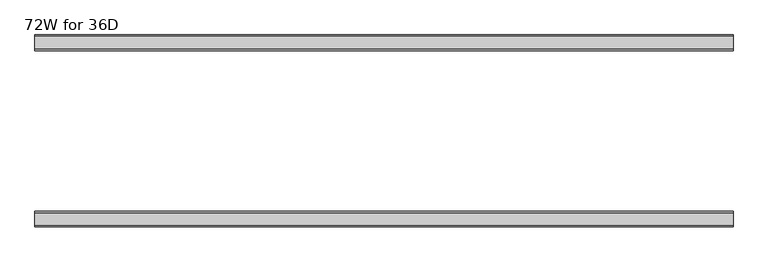
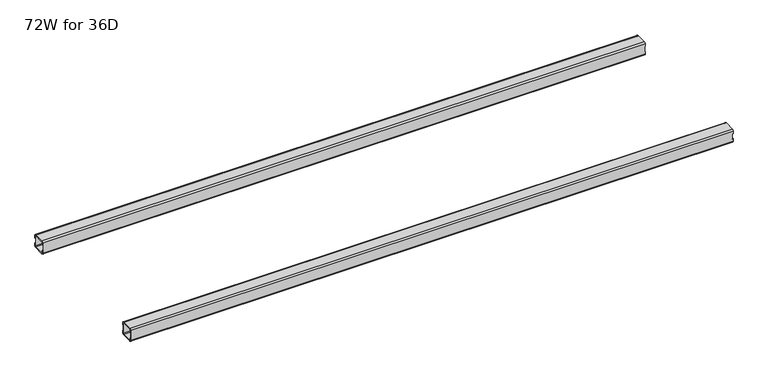
"""IFC4 building model written with IfcOpenShell, lengths in millimetres: furniture geometry, 72W for 36D."""

from ifc_helpers import new_model, si_unit, frame, origin, place, context, project, spatial, polyline, circle_curve, source, transform, mapped, element, save
from ifc_brep_helpers import plane_surface, cylinder_surface, revolved_surface, advanced_brep


def furniture_72w_for_36d_01d43173(model_context):
    return source(origin(), model_context, "Body", "AdvancedBrep", [
        advanced_brep(
        [(1803.8028, -607.088, 653.351), (1803.8028, -609.088, 651.351), (1803.8028, -641.088, 651.351), (1803.8028, -643.088, 653.351), (1803.8028, -643.088, 660.851), (1803.8028, -645.088, 660.851), (1803.8028, -645.088, 653.351), (1803.8028, -641.088, 649.351), (1803.8028, -609.088, 649.351), (1803.8028, -605.088, 653.351), (1803.8028, -605.088, 660.851), (1803.8028, -607.088, 660.851), (1803.8028, -643.088, 684.975), (1803.8028, -641.088, 686.975), (1803.8028, -609.088, 686.975), (1803.8028, -607.088, 684.975), (1803.8028, -607.088, 677.475), (1803.8028, -605.088, 677.475), (1803.8028, -605.088, 684.975), (1803.8028, -609.088, 688.975), (1803.8028, -641.088, 688.975), (1803.8028, -645.088, 684.975), (1803.8028, -645.088, 677.475), (1803.8028, -643.088, 677.475), (22.0, -607.088, 684.975), (22.0, -609.088, 686.975), (22.0, -641.088, 686.975), (22.0, -643.088, 684.975), (22.0, -643.088, 677.475), (22.0, -645.088, 677.475), (22.0, -645.088, 684.975), (22.0, -641.088, 688.975), (22.0, -609.088, 688.975), (22.0, -605.088, 684.975), (22.0, -605.088, 677.475), (22.0, -607.088, 677.475), (22.0, -643.088, 653.351), (22.0, -641.088, 651.351), (22.0, -609.088, 651.351), (22.0, -607.088, 653.351), (22.0, -607.088, 660.851), (22.0, -605.088, 660.851), (22.0, -605.088, 653.351), (22.0, -609.088, 649.351), (22.0, -641.088, 649.351), (22.0, -645.088, 653.351), (22.0, -645.088, 660.851), (22.0, -643.088, 660.851), (23.365, -643.088, 660.851), (24.0, -643.088, 661.486), (24.0, -643.088, 676.84), (23.365, -643.088, 677.475), (1802.4378, -643.088, 677.475), (1801.8028, -643.088, 676.84), (1801.8028, -643.088, 661.486), (1802.4378, -643.088, 660.851), (1802.4378, -607.088, 660.851), (1801.8028, -607.088, 661.486), (1801.8028, -607.088, 676.84), (1802.4378, -607.088, 677.475), (23.365, -607.088, 677.475), (24.0, -607.088, 676.84), (24.0, -607.088, 661.486), (23.365, -607.088, 660.851), (23.365, -645.088, 677.475), (24.0, -645.088, 676.84), (24.0, -645.088, 661.486), (23.365, -645.088, 660.851), (1802.4378, -645.088, 660.851), (1801.8028, -645.088, 661.486), (1801.8028, -645.088, 676.84), (1802.4378, -645.088, 677.475), (1802.4378, -605.088, 677.475), (1801.8028, -605.088, 676.84), (1801.8028, -605.088, 661.486), (1802.4378, -605.088, 660.851), (23.365, -605.088, 660.851), (24.0, -605.088, 661.486), (24.0, -605.088, 676.84), (23.365, -605.088, 677.475)],
        [
            (0, 1, circle_curve(frame((1803.8028, -609.088, 653.351), z_axis=(-1.0, 0.0, 0.0), x_axis=(0.0, 1.0, 0.0)), 2.0)),
            (1, 2),
            (2, 3, circle_curve(frame((1803.8028, -641.088, 653.351), z_axis=(-1.0, 0.0, 0.0), x_axis=(0.0, 1.0, 0.0)), 2.0)),
            (3, 4),
            (4, 5),
            (5, 6),
            (6, 7, circle_curve(frame((1803.8028, -641.088, 653.351), z_axis=(1.0, 0.0, 0.0), x_axis=(0.0, 1.0, 0.0)), 4.0)),
            (7, 8),
            (8, 9, circle_curve(frame((1803.8028, -609.088, 653.351), z_axis=(1.0, 0.0, 0.0), x_axis=(0.0, 1.0, 0.0)), 4.0)),
            (9, 10),
            (10, 11),
            (11, 0),
            (12, 13, circle_curve(frame((1803.8028, -641.088, 684.975), z_axis=(-1.0, 0.0, 0.0), x_axis=(0.0, 1.0, 0.0)), 2.0)),
            (13, 14),
            (14, 15, circle_curve(frame((1803.8028, -609.088, 684.975), z_axis=(-1.0, 0.0, 0.0), x_axis=(0.0, 1.0, 0.0)), 2.0)),
            (15, 16),
            (16, 17),
            (17, 18),
            (18, 19, circle_curve(frame((1803.8028, -609.088, 684.975), z_axis=(1.0, 0.0, 0.0), x_axis=(0.0, 1.0, 0.0)), 4.0)),
            (19, 20),
            (20, 21, circle_curve(frame((1803.8028, -641.088, 684.975), z_axis=(1.0, 0.0, 0.0), x_axis=(0.0, 1.0, 0.0)), 4.0)),
            (21, 22),
            (22, 23),
            (23, 12),
            (24, 25, circle_curve(frame((22.0, -609.088, 684.975), z_axis=(1.0, 0.0, 0.0), x_axis=(0.0, 1.0, 0.0)), 2.0)),
            (25, 26),
            (26, 27, circle_curve(frame((22.0, -641.088, 684.975), z_axis=(1.0, 0.0, 0.0), x_axis=(0.0, 1.0, 0.0)), 2.0)),
            (27, 28),
            (28, 29),
            (29, 30),
            (30, 31, circle_curve(frame((22.0, -641.088, 684.975), z_axis=(-1.0, 0.0, 0.0), x_axis=(0.0, 1.0, 0.0)), 4.0)),
            (31, 32),
            (32, 33, circle_curve(frame((22.0, -609.088, 684.975), z_axis=(-1.0, 0.0, 0.0), x_axis=(0.0, 1.0, 0.0)), 4.0)),
            (33, 34),
            (34, 35),
            (35, 24),
            (36, 37, circle_curve(frame((22.0, -641.088, 653.351), z_axis=(1.0, 0.0, 0.0), x_axis=(0.0, 1.0, 0.0)), 2.0)),
            (37, 38),
            (38, 39, circle_curve(frame((22.0, -609.088, 653.351), z_axis=(1.0, 0.0, 0.0), x_axis=(0.0, 1.0, 0.0)), 2.0)),
            (39, 40),
            (40, 41),
            (41, 42),
            (42, 43, circle_curve(frame((22.0, -609.088, 653.351), z_axis=(-1.0, 0.0, 0.0), x_axis=(0.0, 1.0, 0.0)), 4.0)),
            (43, 44),
            (44, 45, circle_curve(frame((22.0, -641.088, 653.351), z_axis=(-1.0, 0.0, 0.0), x_axis=(0.0, 1.0, 0.0)), 4.0)),
            (45, 46),
            (46, 47),
            (47, 36),
            (0, 39),
            (38, 1),
            (37, 2),
            (36, 3),
            (47, 48),
            (48, 49, circle_curve(frame((23.365, -643.088, 661.486), z_axis=(0.0, -1.0, 0.0), x_axis=(1.0, 0.0, 0.0)), 0.635)),
            (49, 50),
            (50, 51, circle_curve(frame((23.365, -643.088, 676.84), z_axis=(0.0, -1.0, 0.0), x_axis=(1.0, 0.0, 0.0)), 0.635)),
            (51, 28),
            (27, 12),
            (23, 52),
            (52, 53, circle_curve(frame((1802.4378, -643.088, 676.84), z_axis=(0.0, -1.0, 0.0), x_axis=(1.0, 0.0, 0.0)), 0.635)),
            (53, 54),
            (54, 55, circle_curve(frame((1802.4378, -643.088, 661.486), z_axis=(0.0, -1.0, 0.0), x_axis=(1.0, 0.0, 0.0)), 0.635)),
            (55, 4),
            (26, 13),
            (25, 14),
            (24, 15),
            (11, 56),
            (56, 57, circle_curve(frame((1802.4378, -607.088, 661.486), z_axis=(0.0, 1.0, 0.0), x_axis=(1.0, 0.0, 0.0)), 0.635)),
            (57, 58),
            (58, 59, circle_curve(frame((1802.4378, -607.088, 676.84), z_axis=(0.0, 1.0, 0.0), x_axis=(1.0, 0.0, 0.0)), 0.635)),
            (59, 16),
            (35, 60),
            (60, 61, circle_curve(frame((23.365, -607.088, 676.84), z_axis=(0.0, 1.0, 0.0), x_axis=(1.0, 0.0, 0.0)), 0.635)),
            (61, 62),
            (62, 63, circle_curve(frame((23.365, -607.088, 661.486), z_axis=(0.0, 1.0, 0.0), x_axis=(1.0, 0.0, 0.0)), 0.635)),
            (63, 40),
            (18, 33),
            (32, 19),
            (31, 20),
            (30, 21),
            (29, 64),
            (64, 65, circle_curve(frame((23.365, -645.088, 676.84), z_axis=(0.0, 1.0, 0.0), x_axis=(1.0, 0.0, 0.0)), 0.635)),
            (65, 66),
            (66, 67, circle_curve(frame((23.365, -645.088, 661.486), z_axis=(0.0, 1.0, 0.0), x_axis=(1.0, 0.0, 0.0)), 0.635)),
            (67, 46),
            (45, 6),
            (5, 68),
            (68, 69, circle_curve(frame((1802.4378, -645.088, 661.486), z_axis=(0.0, 1.0, 0.0), x_axis=(1.0, 0.0, 0.0)), 0.635)),
            (69, 70),
            (70, 71, circle_curve(frame((1802.4378, -645.088, 676.84), z_axis=(0.0, 1.0, 0.0), x_axis=(1.0, 0.0, 0.0)), 0.635)),
            (71, 22),
            (44, 7),
            (43, 8),
            (42, 9),
            (17, 72),
            (72, 73, circle_curve(frame((1802.4378, -605.088, 676.84), z_axis=(0.0, -1.0, 0.0), x_axis=(1.0, 0.0, 0.0)), 0.635)),
            (73, 74),
            (74, 75, circle_curve(frame((1802.4378, -605.088, 661.486), z_axis=(0.0, -1.0, 0.0), x_axis=(1.0, 0.0, 0.0)), 0.635)),
            (75, 10),
            (41, 76),
            (76, 77, circle_curve(frame((23.365, -605.088, 661.486), z_axis=(0.0, -1.0, 0.0), x_axis=(1.0, 0.0, 0.0)), 0.635)),
            (77, 78),
            (78, 79, circle_curve(frame((23.365, -605.088, 676.84), z_axis=(0.0, -1.0, 0.0), x_axis=(1.0, 0.0, 0.0)), 0.635)),
            (79, 34),
            (71, 52),
            (59, 72),
            (70, 53),
            (58, 73),
            (69, 54),
            (57, 74),
            (68, 55),
            (56, 75),
            (51, 64),
            (79, 60),
            (67, 48),
            (63, 76),
            (66, 49),
            (62, 77),
            (65, 50),
            (61, 78),
        ],
        [
            plane_surface(frame((1803.8028, -607.088, 653.351), z_axis=(1.0, 0.0, 0.0), x_axis=(0.0, 0.0, -1.0))),
            plane_surface(frame((22.0, -607.088, 653.351), z_axis=(-1.0, 0.0, 0.0), x_axis=(0.0, 0.0, 1.0))),
            revolved_surface(polyline([(22.0, -607.088, 653.351), (1803.8028, -607.088, 653.351)]), (22.0, -609.088, 653.351), (-1.0, 0.0, 0.0)),
            plane_surface(frame((1803.8028, -609.088, 651.351), z_axis=(0.0, -5.198608210600595e-12, 1.0), x_axis=(-1.0, 0.0, 0.0))),
            revolved_surface(polyline([(22.0, -639.088, 653.351), (1803.8028, -639.088, 653.351)]), (22.0, -641.088, 653.351), (-1.0, 0.0, 0.0)),
            plane_surface(frame((1803.8028, -643.088, 653.351), z_axis=(0.0, 1.0, 0.0), x_axis=(-1.0, 0.0, 0.0))),
            revolved_surface(polyline([(22.0, -639.088, 684.975), (1803.8028, -639.088, 684.975)]), (22.0, -641.088, 684.975), (-1.0, 0.0, 0.0)),
            plane_surface(frame((1803.8028, -641.088, 686.975), z_axis=(0.0, 0.0, -1.0), x_axis=(-1.0, 0.0, 0.0))),
            revolved_surface(polyline([(22.0, -607.088, 684.975), (1803.8028, -607.088, 684.975)]), (22.0, -609.088, 684.975), (-1.0, 0.0, 0.0)),
            plane_surface(frame((1803.8028, -607.088, 684.975), z_axis=(0.0, -1.0, 0.0), x_axis=(-1.0, 0.0, 0.0))),
            cylinder_surface(frame((0.0, -609.088, 684.975), z_axis=(1.0, 0.0, 0.0), x_axis=(0.0, 1.0, 0.0)), 4.0),
            plane_surface(frame((1803.8028, -609.088, 688.975), z_axis=(0.0, 0.0, 1.0), x_axis=(-1.0, 0.0, 0.0))),
            cylinder_surface(frame((0.0, -641.088, 684.975), z_axis=(1.0, 0.0, 0.0), x_axis=(0.0, 1.0, 0.0)), 4.0),
            plane_surface(frame((1803.8028, -645.088, 684.975), z_axis=(0.0, -1.0, 0.0), x_axis=(-1.0, 0.0, 0.0))),
            cylinder_surface(frame((0.0, -641.088, 653.351), z_axis=(1.0, 0.0, 0.0), x_axis=(0.0, 1.0, 0.0)), 4.0),
            plane_surface(frame((1803.8028, -641.088, 649.351), z_axis=(0.0, 0.0, -1.0), x_axis=(-1.0, 0.0, 0.0))),
            cylinder_surface(frame((0.0, -609.088, 653.351), z_axis=(1.0, 0.0, 0.0), x_axis=(0.0, 1.0, 0.0)), 4.0),
            plane_surface(frame((1803.8028, -605.088, 653.351), z_axis=(0.0, 1.0, -5.2518576384018155e-12), x_axis=(-1.0, 0.0, 0.0))),
            plane_surface(frame((1803.8028, -645.088, 677.475), z_axis=(1.130465684452016e-11, 0.0, -1.0), x_axis=(0.0, 1.0, 0.0))),
            revolved_surface(polyline([(1803.0728, -645.088, 676.84), (1803.0728, -643.088, 676.84)]), (1802.4378, -605.088, 676.84), (0.0, -1.0, 0.0)),
            revolved_surface(polyline([(1803.0728, -607.088, 676.84), (1803.0728, -605.088, 676.84)]), (1802.4378, -605.088, 676.84), (0.0, -1.0, 0.0)),
            plane_surface(frame((1801.8028, -645.088, 676.84), z_axis=(1.0, 0.0, 0.0), x_axis=(0.0, 1.0, 0.0))),
            revolved_surface(polyline([(1803.0728, -645.088, 661.486), (1803.0728, -643.088, 661.486)]), (1802.4378, -605.088, 661.486), (0.0, -1.0, 0.0)),
            revolved_surface(polyline([(1803.0728, -607.088, 661.486), (1803.0728, -605.088, 661.486)]), (1802.4378, -605.088, 661.486), (0.0, -1.0, 0.0)),
            plane_surface(frame((1802.4378, -645.088, 660.851), z_axis=(0.0, 0.0, 1.0), x_axis=(0.0, 1.0, 0.0))),
            plane_surface(frame((23.365, -645.088, 677.475), z_axis=(0.0, 0.0, -1.0), x_axis=(0.0, 1.0, 0.0))),
            plane_surface(frame((22.0, -645.088, 660.851), z_axis=(-1.1502984157403295e-11, 0.0, 1.0), x_axis=(0.0, 1.0, 0.0))),
            revolved_surface(polyline([(24.0, -645.088, 661.486), (24.0, -643.088, 661.486)]), (23.365, -605.088, 661.486), (0.0, -1.0, 0.0)),
            revolved_surface(polyline([(24.0, -607.088, 661.486), (24.0, -605.088, 661.486)]), (23.365, -605.088, 661.486), (0.0, -1.0, 0.0)),
            plane_surface(frame((24.0, -645.088, 661.486), z_axis=(-1.0, 0.0, 0.0), x_axis=(0.0, 1.0, 0.0))),
            revolved_surface(polyline([(24.0, -645.088, 676.84), (24.0, -643.088, 676.84)]), (23.365, -605.088, 676.84), (0.0, -1.0, 0.0)),
            revolved_surface(polyline([(24.0, -607.088, 676.84), (24.0, -605.088, 676.84)]), (23.365, -605.088, 676.84), (0.0, -1.0, 0.0)),
        ],
        [
            (0, [[1, 2, 3, 4, 5, 6, 7, 8, 9, 10, 11, 12]]),
            (0, [[13, 14, 15, 16, 17, 18, 19, 20, 21, 22, 23, 24]]),
            (1, [[25, 26, 27, 28, 29, 30, 31, 32, 33, 34, 35, 36]]),
            (1, [[37, 38, 39, 40, 41, 42, 43, 44, 45, 46, 47, 48]]),
            (2, [[-1, 49, -39, 50]]),
            (3, [[-2, -50, -38, 51]]),
            (4, [[-3, -51, -37, 52]]),
            (5, [[-52, -48, 53, 54, 55, 56, 57, -28, 58, -24, 59, 60, 61, 62, 63, -4]]),
            (6, [[-13, -58, -27, 64]]),
            (7, [[-14, -64, -26, 65]]),
            (8, [[-15, -65, -25, 66]]),
            (9, [[-49, -12, 67, 68, 69, 70, 71, -16, -66, -36, 72, 73, 74, 75, 76, -40]]),
            (10, [[-19, 77, -33, 78]]),
            (11, [[-20, -78, -32, 79]]),
            (12, [[-21, -79, -31, 80]]),
            (13, [[-80, -30, 81, 82, 83, 84, 85, -46, 86, -6, 87, 88, 89, 90, 91, -22]]),
            (14, [[-7, -86, -45, 92]]),
            (15, [[-8, -92, -44, 93]]),
            (16, [[-9, -93, -43, 94]]),
            (17, [[-77, -18, 95, 96, 97, 98, 99, -10, -94, -42, 100, 101, 102, 103, 104, -34]]),
            (18, [[105, -59, -23, -91]]),
            (18, [[106, -95, -17, -71]]),
            (19, [[-105, -90, 107, -60]]),
            (20, [[-106, -70, 108, -96]]),
            (21, [[-107, -89, 109, -61]]),
            (21, [[-108, -69, 110, -97]]),
            (22, [[-109, -88, 111, -62]]),
            (23, [[-110, -68, 112, -98]]),
            (24, [[-111, -87, -5, -63]]),
            (24, [[-112, -67, -11, -99]]),
            (25, [[113, -81, -29, -57]]),
            (25, [[114, -72, -35, -104]]),
            (26, [[115, -53, -47, -85]]),
            (26, [[116, -100, -41, -76]]),
            (27, [[-115, -84, 117, -54]]),
            (28, [[-116, -75, 118, -101]]),
            (29, [[-117, -83, 119, -55]]),
            (29, [[-118, -74, 120, -102]]),
            (30, [[-113, -56, -119, -82]]),
            (31, [[-114, -103, -120, -73]]),
        ],
    ),
        advanced_brep(
        [(1803.8028, -192.9996202, 684.975), (1803.8028, -190.9996202, 686.975), (1803.8028, -159.0003798, 686.975), (1803.8028, -157.0003798, 684.975), (1803.8028, -157.0003798, 677.475), (1803.8028, -155.0003798, 677.475), (1803.8028, -155.0003798, 684.975), (1803.8028, -159.0003798, 688.975), (1803.8028, -190.9996202, 688.975), (1803.8028, -194.9996202, 684.975), (1803.8028, -194.9996202, 677.475), (1803.8028, -192.9996202, 677.475), (1803.8028, -157.0003798, 653.351), (1803.8028, -159.0003798, 651.351), (1803.8028, -190.9996202, 651.351), (1803.8028, -192.9996202, 653.351), (1803.8028, -192.9996202, 660.851), (1803.8028, -194.9996202, 660.851), (1803.8028, -194.9996202, 653.351), (1803.8028, -190.9996202, 649.351), (1803.8028, -159.0003798, 649.351), (1803.8028, -155.0003798, 653.351), (1803.8028, -155.0003798, 660.851), (1803.8028, -157.0003798, 660.851), (22.0, -192.9996202, 653.351), (22.0, -190.9996202, 651.351), (22.0, -159.0003798, 651.351), (22.0, -157.0003798, 653.351), (22.0, -157.0003798, 660.851), (22.0, -155.0003798, 660.851), (22.0, -155.0003798, 653.351), (22.0, -159.0003798, 649.351), (22.0, -190.9996202, 649.351), (22.0, -194.9996202, 653.351), (22.0, -194.9996202, 660.851), (22.0, -192.9996202, 660.851), (22.0, -157.0003798, 684.975), (22.0, -159.0003798, 686.975), (22.0, -190.9996202, 686.975), (22.0, -192.9996202, 684.975), (22.0, -192.9996202, 677.475), (22.0, -194.9996202, 677.475), (22.0, -194.9996202, 684.975), (22.0, -190.9996202, 688.975), (22.0, -159.0003798, 688.975), (22.0, -155.0003798, 684.975), (22.0, -155.0003798, 677.475), (22.0, -157.0003798, 677.475), (1802.4378, -157.0003798, 660.851), (1801.8028, -157.0003798, 661.486), (1801.8028, -157.0003798, 676.84), (1802.4378, -157.0003798, 677.475), (23.365, -157.0003798, 677.475), (24.0, -157.0003798, 676.84), (24.0, -157.0003798, 661.486), (23.365, -157.0003798, 660.851), (23.365, -192.9996202, 660.851), (24.0, -192.9996202, 661.486), (24.0, -192.9996202, 676.84), (23.365, -192.9996202, 677.475), (1802.4378, -192.9996202, 677.475), (1801.8028, -192.9996202, 676.84), (1801.8028, -192.9996202, 661.486), (1802.4378, -192.9996202, 660.851), (1802.4378, -155.0003798, 677.475), (1801.8028, -155.0003798, 676.84), (1801.8028, -155.0003798, 661.486), (1802.4378, -155.0003798, 660.851), (23.365, -155.0003798, 660.851), (24.0, -155.0003798, 661.486), (24.0, -155.0003798, 676.84), (23.365, -155.0003798, 677.475), (23.365, -194.9996202, 677.475), (24.0, -194.9996202, 676.84), (24.0, -194.9996202, 661.486), (23.365, -194.9996202, 660.851), (1802.4378, -194.9996202, 660.851), (1801.8028, -194.9996202, 661.486), (1801.8028, -194.9996202, 676.84), (1802.4378, -194.9996202, 677.475)],
        [
            (0, 1, circle_curve(frame((1803.8028, -190.9996202, 684.975), z_axis=(-1.0, 0.0, 0.0), x_axis=(0.0, -1.0, 0.0)), 2.0)),
            (1, 2),
            (2, 3, circle_curve(frame((1803.8028, -159.0003798, 684.975), z_axis=(-1.0, 0.0, 0.0), x_axis=(0.0, -1.0, 0.0)), 2.0)),
            (3, 4),
            (4, 5),
            (5, 6),
            (6, 7, circle_curve(frame((1803.8028, -159.0003798, 684.975), z_axis=(1.0, 0.0, 0.0), x_axis=(0.0, -1.0, 0.0)), 4.0)),
            (7, 8),
            (8, 9, circle_curve(frame((1803.8028, -190.9996202, 684.975), z_axis=(1.0, 0.0, 0.0), x_axis=(0.0, -1.0, 0.0)), 4.0)),
            (9, 10),
            (10, 11),
            (11, 0),
            (12, 13, circle_curve(frame((1803.8028, -159.0003798, 653.351), z_axis=(-1.0, 0.0, 0.0), x_axis=(0.0, -1.0, 0.0)), 2.0)),
            (13, 14),
            (14, 15, circle_curve(frame((1803.8028, -190.9996202, 653.351), z_axis=(-1.0, 0.0, 0.0), x_axis=(0.0, -1.0, 0.0)), 2.0)),
            (15, 16),
            (16, 17),
            (17, 18),
            (18, 19, circle_curve(frame((1803.8028, -190.9996202, 653.351), z_axis=(1.0, 0.0, 0.0), x_axis=(0.0, -1.0, 0.0)), 4.0)),
            (19, 20),
            (20, 21, circle_curve(frame((1803.8028, -159.0003798, 653.351), z_axis=(1.0, 0.0, 0.0), x_axis=(0.0, -1.0, 0.0)), 4.0)),
            (21, 22),
            (22, 23),
            (23, 12),
            (24, 25, circle_curve(frame((22.0, -190.9996202, 653.351), z_axis=(1.0, 0.0, 0.0), x_axis=(0.0, -1.0, 0.0)), 2.0)),
            (25, 26),
            (26, 27, circle_curve(frame((22.0, -159.0003798, 653.351), z_axis=(1.0, 0.0, 0.0), x_axis=(0.0, -1.0, 0.0)), 2.0)),
            (27, 28),
            (28, 29),
            (29, 30),
            (30, 31, circle_curve(frame((22.0, -159.0003798, 653.351), z_axis=(-1.0, 0.0, 0.0), x_axis=(0.0, -1.0, 0.0)), 4.0)),
            (31, 32),
            (32, 33, circle_curve(frame((22.0, -190.9996202, 653.351), z_axis=(-1.0, 0.0, 0.0), x_axis=(0.0, -1.0, 0.0)), 4.0)),
            (33, 34),
            (34, 35),
            (35, 24),
            (36, 37, circle_curve(frame((22.0, -159.0003798, 684.975), z_axis=(1.0, 0.0, 0.0), x_axis=(0.0, -1.0, 0.0)), 2.0)),
            (37, 38),
            (38, 39, circle_curve(frame((22.0, -190.9996202, 684.975), z_axis=(1.0, 0.0, 0.0), x_axis=(0.0, -1.0, 0.0)), 2.0)),
            (39, 40),
            (40, 41),
            (41, 42),
            (42, 43, circle_curve(frame((22.0, -190.9996202, 684.975), z_axis=(-1.0, 0.0, 0.0), x_axis=(0.0, -1.0, 0.0)), 4.0)),
            (43, 44),
            (44, 45, circle_curve(frame((22.0, -159.0003798, 684.975), z_axis=(-1.0, 0.0, 0.0), x_axis=(0.0, -1.0, 0.0)), 4.0)),
            (45, 46),
            (46, 47),
            (47, 36),
            (14, 25),
            (24, 15),
            (13, 26),
            (12, 27),
            (23, 48),
            (48, 49, circle_curve(frame((1802.4378, -157.0003798, 661.486), z_axis=(0.0, 1.0, 0.0), x_axis=(1.0, 0.0, 0.0)), 0.635)),
            (49, 50),
            (50, 51, circle_curve(frame((1802.4378, -157.0003798, 676.84), z_axis=(0.0, 1.0, 0.0), x_axis=(1.0, 0.0, 0.0)), 0.635)),
            (51, 4),
            (3, 36),
            (47, 52),
            (52, 53, circle_curve(frame((23.365, -157.0003798, 676.84), z_axis=(0.0, 1.0, 0.0), x_axis=(1.0, 0.0, 0.0)), 0.635)),
            (53, 54),
            (54, 55, circle_curve(frame((23.365, -157.0003798, 661.486), z_axis=(0.0, 1.0, 0.0), x_axis=(1.0, 0.0, 0.0)), 0.635)),
            (55, 28),
            (2, 37),
            (1, 38),
            (0, 39),
            (35, 56),
            (56, 57, circle_curve(frame((23.365, -192.9996202, 661.486), z_axis=(0.0, -1.0, 0.0), x_axis=(1.0, 0.0, 0.0)), 0.635)),
            (57, 58),
            (58, 59, circle_curve(frame((23.365, -192.9996202, 676.84), z_axis=(0.0, -1.0, 0.0), x_axis=(1.0, 0.0, 0.0)), 0.635)),
            (59, 40),
            (11, 60),
            (60, 61, circle_curve(frame((1802.4378, -192.9996202, 676.84), z_axis=(0.0, -1.0, 0.0), x_axis=(1.0, 0.0, 0.0)), 0.635)),
            (61, 62),
            (62, 63, circle_curve(frame((1802.4378, -192.9996202, 661.486), z_axis=(0.0, -1.0, 0.0), x_axis=(1.0, 0.0, 0.0)), 0.635)),
            (63, 16),
            (8, 43),
            (42, 9),
            (7, 44),
            (6, 45),
            (5, 64),
            (64, 65, circle_curve(frame((1802.4378, -155.0003798, 676.84), z_axis=(0.0, -1.0, 0.0), x_axis=(1.0, 0.0, 0.0)), 0.635)),
            (65, 66),
            (66, 67, circle_curve(frame((1802.4378, -155.0003798, 661.486), z_axis=(0.0, -1.0, 0.0), x_axis=(1.0, 0.0, 0.0)), 0.635)),
            (67, 22),
            (21, 30),
            (29, 68),
            (68, 69, circle_curve(frame((23.365, -155.0003798, 661.486), z_axis=(0.0, -1.0, 0.0), x_axis=(1.0, 0.0, 0.0)), 0.635)),
            (69, 70),
            (70, 71, circle_curve(frame((23.365, -155.0003798, 676.84), z_axis=(0.0, -1.0, 0.0), x_axis=(1.0, 0.0, 0.0)), 0.635)),
            (71, 46),
            (20, 31),
            (19, 32),
            (18, 33),
            (41, 72),
            (72, 73, circle_curve(frame((23.365, -194.9996202, 676.84), z_axis=(0.0, 1.0, 0.0), x_axis=(1.0, 0.0, 0.0)), 0.635)),
            (73, 74),
            (74, 75, circle_curve(frame((23.365, -194.9996202, 661.486), z_axis=(0.0, 1.0, 0.0), x_axis=(1.0, 0.0, 0.0)), 0.635)),
            (75, 34),
            (17, 76),
            (76, 77, circle_curve(frame((1802.4378, -194.9996202, 661.486), z_axis=(0.0, 1.0, 0.0), x_axis=(1.0, 0.0, 0.0)), 0.635)),
            (77, 78),
            (78, 79, circle_curve(frame((1802.4378, -194.9996202, 676.84), z_axis=(0.0, 1.0, 0.0), x_axis=(1.0, 0.0, 0.0)), 0.635)),
            (79, 10),
            (51, 64),
            (79, 60),
            (50, 65),
            (78, 61),
            (49, 66),
            (77, 62),
            (48, 67),
            (76, 63),
            (71, 52),
            (59, 72),
            (55, 68),
            (75, 56),
            (54, 69),
            (74, 57),
            (53, 70),
            (73, 58),
        ],
        [
            plane_surface(frame((1803.8028, -192.9996202, 684.975), z_axis=(1.0, 0.0, 0.0), x_axis=(0.0, 0.0, 1.0))),
            plane_surface(frame((22.0, -192.9996202, 684.975), z_axis=(-1.0, 0.0, 0.0), x_axis=(0.0, 0.0, -1.0))),
            revolved_surface(polyline([(22.0, -192.9996202, 653.351), (1803.8028, -192.9996202, 653.351)]), (22.0, -190.9996202, 653.351), (-1.0, 0.0, 0.0)),
            plane_surface(frame((1803.8028, -159.0003798, 651.351), z_axis=(0.0, 0.0, 1.0), x_axis=(-1.0, 0.0, 0.0))),
            revolved_surface(polyline([(22.0, -161.0003798, 653.351), (1803.8028, -161.0003798, 653.351)]), (22.0, -159.0003798, 653.351), (-1.0, 0.0, 0.0)),
            plane_surface(frame((1803.8028, -157.0003798, 684.975), z_axis=(0.0, -1.0, 0.0), x_axis=(-1.0, 0.0, 0.0))),
            revolved_surface(polyline([(22.0, -161.0003798, 684.975), (1803.8028, -161.0003798, 684.975)]), (22.0, -159.0003798, 684.975), (-1.0, 0.0, 0.0)),
            plane_surface(frame((1803.8028, -190.9996202, 686.975), z_axis=(0.0, 0.0, -1.0), x_axis=(-1.0, 0.0, 0.0))),
            revolved_surface(polyline([(22.0, -192.9996202, 684.975), (1803.8028, -192.9996202, 684.975)]), (22.0, -190.9996202, 684.975), (-1.0, 0.0, 0.0)),
            plane_surface(frame((1803.8028, -192.9996202, 653.351), z_axis=(0.0, 1.0, 0.0), x_axis=(-1.0, 0.0, 0.0))),
            cylinder_surface(frame((0.0, -190.9996202, 684.975), z_axis=(1.0, 0.0, 0.0), x_axis=(0.0, -1.0, 0.0)), 4.0),
            plane_surface(frame((1803.8028, -159.0003798, 688.975), z_axis=(0.0, 0.0, 1.0), x_axis=(-1.0, 0.0, 0.0))),
            cylinder_surface(frame((0.0, -159.0003798, 684.975), z_axis=(1.0, 0.0, 0.0), x_axis=(0.0, -1.0, 0.0)), 4.0),
            plane_surface(frame((1803.8028, -155.0003798, 653.351), z_axis=(0.0, 1.0, 0.0), x_axis=(-1.0, 0.0, 0.0))),
            cylinder_surface(frame((0.0, -159.0003798, 653.351), z_axis=(1.0, 0.0, 0.0), x_axis=(0.0, -1.0, 0.0)), 4.0),
            plane_surface(frame((1803.8028, -190.9996202, 649.351), z_axis=(0.0, 0.0, -1.0), x_axis=(-1.0, 0.0, 0.0))),
            cylinder_surface(frame((0.0, -190.9996202, 653.351), z_axis=(1.0, 0.0, 0.0), x_axis=(0.0, -1.0, 0.0)), 4.0),
            plane_surface(frame((1803.8028, -194.9996202, 684.975), z_axis=(0.0, -1.0, 0.0), x_axis=(-1.0, 0.0, 0.0))),
            plane_surface(frame((1802.4378, -155.0003798, 677.475), z_axis=(-8.46857626692581e-11, 0.0, -1.0), x_axis=(0.0, -1.0, 0.0))),
            revolved_surface(polyline([(1803.0728, -155.0003798, 676.84), (1803.0728, -157.0003798, 676.84)]), (1802.4378, -194.9996202, 676.84), (0.0, 1.0, 0.0)),
            revolved_surface(polyline([(1803.0728, -192.9996202, 676.84), (1803.0728, -194.9996202, 676.84)]), (1802.4378, -194.9996202, 676.84), (0.0, 1.0, 0.0)),
            plane_surface(frame((1801.8028, -155.0003798, 661.486), z_axis=(1.0, 0.0, 6.082928872064027e-12), x_axis=(0.0, -1.0, 0.0))),
            revolved_surface(polyline([(1803.0728, -155.0003798, 661.486), (1803.0728, -157.0003798, 661.486)]), (1802.4378, -194.9996202, 661.486), (0.0, 1.0, 0.0)),
            revolved_surface(polyline([(1803.0728, -192.9996202, 661.486), (1803.0728, -194.9996202, 661.486)]), (1802.4378, -194.9996202, 661.486), (0.0, 1.0, 0.0)),
            plane_surface(frame((1803.8028, -155.0003798, 660.851), z_axis=(0.0, 0.0, 1.0), x_axis=(0.0, -1.0, 0.0))),
            plane_surface(frame((22.0, -155.0003798, 677.475), z_axis=(0.0, 0.0, -1.0), x_axis=(0.0, -1.0, 0.0))),
            plane_surface(frame((23.365, -155.0003798, 660.851), z_axis=(-2.8559133082148777e-11, 0.0, 1.0), x_axis=(0.0, -1.0, 0.0))),
            revolved_surface(polyline([(24.0, -155.0003798, 661.486), (24.0, -157.0003798, 661.486)]), (23.365, -194.9996202, 661.486), (0.0, 1.0, 0.0)),
            revolved_surface(polyline([(24.0, -192.9996202, 661.486), (24.0, -194.9996202, 661.486)]), (23.365, -194.9996202, 661.486), (0.0, 1.0, 0.0)),
            plane_surface(frame((24.0, -155.0003798, 676.84), z_axis=(-1.0, 0.0, 3.414484621396347e-12), x_axis=(0.0, -1.0, 0.0))),
            revolved_surface(polyline([(24.0, -155.0003798, 676.84), (24.0, -157.0003798, 676.84)]), (23.365, -194.9996202, 676.84), (0.0, 1.0, 0.0)),
            revolved_surface(polyline([(24.0, -192.9996202, 676.84), (24.0, -194.9996202, 676.84)]), (23.365, -194.9996202, 676.84), (0.0, 1.0, 0.0)),
        ],
        [
            (0, [[1, 2, 3, 4, 5, 6, 7, 8, 9, 10, 11, 12]]),
            (0, [[13, 14, 15, 16, 17, 18, 19, 20, 21, 22, 23, 24]]),
            (1, [[25, 26, 27, 28, 29, 30, 31, 32, 33, 34, 35, 36]]),
            (1, [[37, 38, 39, 40, 41, 42, 43, 44, 45, 46, 47, 48]]),
            (2, [[-15, 49, -25, 50]]),
            (3, [[-14, 51, -26, -49]]),
            (4, [[-13, 52, -27, -51]]),
            (5, [[-52, -24, 53, 54, 55, 56, 57, -4, 58, -48, 59, 60, 61, 62, 63, -28]]),
            (6, [[-3, 64, -37, -58]]),
            (7, [[-2, 65, -38, -64]]),
            (8, [[-1, 66, -39, -65]]),
            (9, [[-50, -36, 67, 68, 69, 70, 71, -40, -66, -12, 72, 73, 74, 75, 76, -16]]),
            (10, [[-9, 77, -43, 78]]),
            (11, [[-8, 79, -44, -77]]),
            (12, [[-7, 80, -45, -79]]),
            (13, [[-80, -6, 81, 82, 83, 84, 85, -22, 86, -30, 87, 88, 89, 90, 91, -46]]),
            (14, [[-21, 92, -31, -86]]),
            (15, [[-20, 93, -32, -92]]),
            (16, [[-19, 94, -33, -93]]),
            (17, [[-78, -42, 95, 96, 97, 98, 99, -34, -94, -18, 100, 101, 102, 103, 104, -10]]),
            (18, [[105, -81, -5, -57]]),
            (18, [[106, -72, -11, -104]]),
            (19, [[-105, -56, 107, -82]]),
            (20, [[-106, -103, 108, -73]]),
            (21, [[-107, -55, 109, -83]]),
            (21, [[-108, -102, 110, -74]]),
            (22, [[-109, -54, 111, -84]]),
            (23, [[-110, -101, 112, -75]]),
            (24, [[-111, -53, -23, -85]]),
            (24, [[-112, -100, -17, -76]]),
            (25, [[113, -59, -47, -91]]),
            (25, [[114, -95, -41, -71]]),
            (26, [[115, -87, -29, -63]]),
            (26, [[116, -67, -35, -99]]),
            (27, [[-115, -62, 117, -88]]),
            (28, [[-116, -98, 118, -68]]),
            (29, [[-117, -61, 119, -89]]),
            (29, [[-118, -97, 120, -69]]),
            (30, [[-119, -60, -113, -90]]),
            (31, [[-120, -96, -114, -70]]),
        ],
    ),
    ])


if __name__ == "__main__":
    model = new_model("IFC4")
    model_context = context("Model", 3, world=origin())
    ifc_project = project(units=[si_unit("LENGTHUNIT", "METRE", prefix="MILLI")], contexts=[model_context])
    site = spatial("IfcSite", under=ifc_project)
    building = spatial("IfcBuilding", under=site)
    placement = place(None, origin())
    furniture_72w_for_36d_shape = furniture_72w_for_36d_01d43173(model_context)
    element("IfcFurniture", 1, ObjectType="72W for 36D", at=placement, inside=building, context=model_context, shape_type="MappedRepresentation", body=[
        mapped(furniture_72w_for_36d_shape, transform((0.0, 0.0, 0.0), x_axis=(1.0, 0.0, 0.0), y_axis=(0.0, 1.0, 0.0), z_axis=(0.0, 0.0, 1.0))),
    ])
    save(model, "model.ifc")
